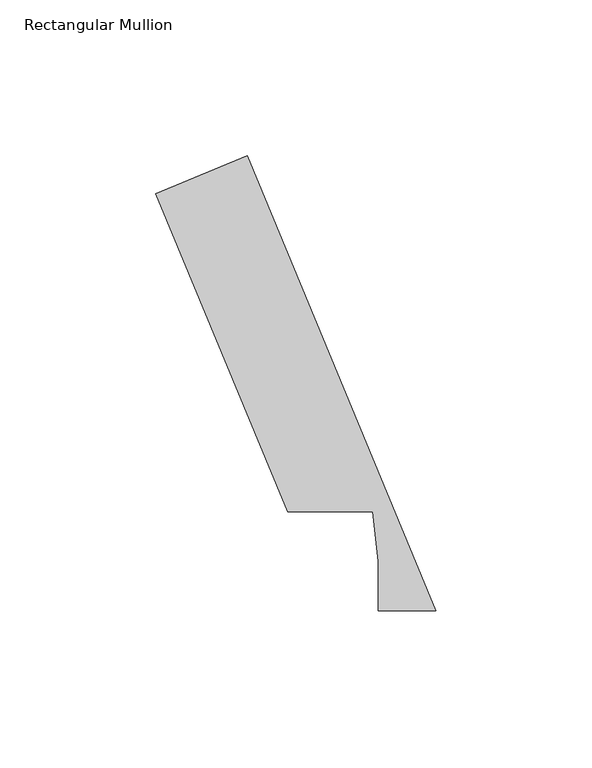
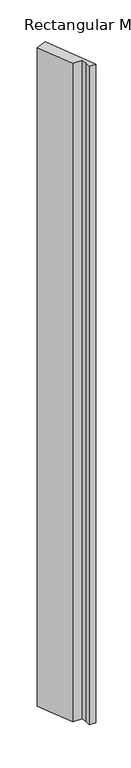
"""IFC4 building model written with IfcOpenShell, lengths in millimetres: member geometry, Rectangular Mullion."""

from ifc_helpers import new_model, si_unit, frame, origin, place, context, project, spatial, polyline, outline, extrude, source, transform, mapped, element, save


def rectangular_mullion_5ac11d9a(model_context):
    return source(origin(), model_context, "Body", "SweptSolid", [
        extrude(outline(polyline([(-97.7891298, 153.2347441), (-68.4559547, 165.384943), (-8.0475254, 19.5460937), (-26.4670259, 19.5460937), (-26.4670259, 35.4210937), (-28.3687568, 51.2960938), (-55.5647583, 51.2960938), (-97.7891298, 153.2347441)])), frame((0.0, 0.0, -1993.9000001), z_axis=(0.0, 0.0, 1.0), x_axis=(1.0, 0.0, 0.0)), (0.0, 0.0, 1.0), 1993.9000001),
    ])


if __name__ == "__main__":
    model = new_model("IFC4")
    model_context = context("Model", 3, world=origin())
    ifc_project = project(units=[si_unit("LENGTHUNIT", "METRE", prefix="MILLI")], contexts=[model_context])
    site = spatial("IfcSite", under=ifc_project)
    building = spatial("IfcBuilding", under=site)
    placement = place(None, origin())
    rectangular_mullion_shape = rectangular_mullion_5ac11d9a(model_context)
    element("IfcMember", 1, ObjectType="Rectangular Mullion", at=placement, inside=building, context=model_context, shape_type="MappedRepresentation", body=[
        mapped(rectangular_mullion_shape, transform((0.0, 0.0, 0.0), x_axis=(1.0, 0.0, 0.0), y_axis=(0.0, 1.0, 0.0), z_axis=(0.0, 0.0, 1.0))),
    ])
    save(model, "model.ifc")
